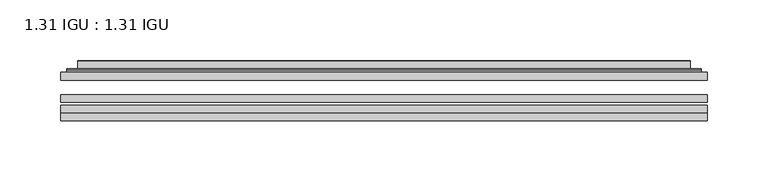
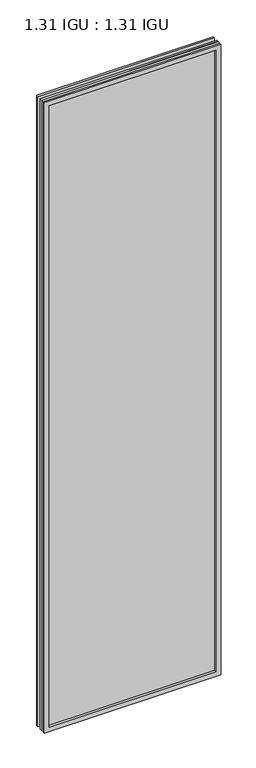
"""IFC4 building model written with IfcOpenShell, lengths in millimetres: plate geometry, 1.31 IGU : 1.31 IGU."""

import ifcopenshell
import ifcopenshell.guid

model = None  # the IFC model being written
_history = None  # IfcOwnerHistory: only IFC2X3 demands one
_inside = {}  # id of a spatial element -> (the spatial element, [elements in it])
_under = {}  # id of a project, library or spatial element -> (it, [spatial elements below it])
_declared = {}  # id of a project -> (the project, [libraries it declares])
_typed = {}  # id of a type object -> (the type object, [elements of that type])
_made_of = {}  # id of a material, layer set ... -> (it, [elements and type objects made of it])


def new_model(schema):
    """Start an empty IFC model of exactly this schema.

    Asked for "IFC4X3", IfcOpenShell would pick the latest addendum, in which some entities
    have other attributes; the version numbers below select the first issue.
    IFC2X3 requires an IfcOwnerHistory on every rooted entity: one is made here for all.
    """
    global model, _history
    if schema == "IFC4X3":
        model = ifcopenshell.file(schema_version=(4, 3, 0, 0))
    else:
        model = ifcopenshell.file(schema=schema)
    _inside.clear()
    _under.clear()
    _declared.clear()
    _typed.clear()
    _made_of.clear()
    _history = None
    if model.schema == "IFC2X3":
        org = make("IfcOrganization", Name="unknown")
        user = make(
            "IfcPersonAndOrganization",
            ThePerson=make("IfcPerson", FamilyName="unknown"),
            TheOrganization=org,
        )
        app = make(
            "IfcApplication",
            ApplicationDeveloper=org,
            Version="unknown",
            ApplicationFullName="unknown",
            ApplicationIdentifier="unknown",
        )
        _history = make(
            "IfcOwnerHistory",
            OwningUser=user,
            OwningApplication=app,
            ChangeAction="ADDED",
            CreationDate=0,
        )
    return model


def make(cls, **values):
    """One entity of the class cls with the attributes given. An attribute that is None is left unset."""
    return model.create_entity(
        cls, **{name: value for name, value in values.items() if value is not None}
    )


def rooted(cls, **values):
    """An entity with a GlobalId (a new one), such as an element, a storey or a relation."""
    return make(cls, GlobalId=ifcopenshell.guid.new(), OwnerHistory=_history, **values)


def si_unit(unit_type, name, prefix=None):
    """IfcSIUnit, for example si_unit("LENGTHUNIT", "METRE", prefix="MILLI")."""
    return make("IfcSIUnit", UnitType=unit_type, Prefix=prefix, Name=name)


def assignment(units):
    """IfcUnitAssignment: the units of a project."""
    return None if units is None else make("IfcUnitAssignment", Units=units)


def point(xyz):
    """IfcCartesianPoint."""
    return None if xyz is None else make("IfcCartesianPoint", Coordinates=xyz)


def direction(xyz):
    """IfcDirection."""
    return None if xyz is None else make("IfcDirection", DirectionRatios=xyz)


def frame(location, z_axis=None, x_axis=None):
    """IfcAxis2Placement3D, a coordinate frame: its origin and axes. An axis left out is left unset."""
    return make(
        "IfcAxis2Placement3D",
        Location=point(location),
        Axis=direction(z_axis),
        RefDirection=direction(x_axis),
    )


def origin():
    """The frame at (0, 0, 0) with its axes left unset."""
    return frame((0.0, 0.0, 0.0))


def place(relative_to, where):
    """IfcLocalPlacement: puts the frame where relative to a parent placement (None: the world)."""
    return make(
        "IfcLocalPlacement", PlacementRelTo=relative_to, RelativePlacement=where
    )


def context(
    kind, dimensions, precision=None, world=None, true_north=None, identifier=None
):
    """IfcGeometricRepresentationContext, for example the 3D "Model" context."""
    return make(
        "IfcGeometricRepresentationContext",
        ContextIdentifier=identifier,
        ContextType=kind,
        CoordinateSpaceDimension=dimensions,
        Precision=precision,
        WorldCoordinateSystem=world,
        TrueNorth=true_north,
    )


def project(units=None, contexts=None):
    """IfcProject with its units and contexts."""
    return rooted(
        "IfcProject",
        Name="project",
        RepresentationContexts=contexts,
        UnitsInContext=assignment(units),
    )


def spatial(cls, under=None, at=None, **own):
    """A site, building, storey or space (cls), placed at a placement, below another one or the project."""
    s = rooted(cls, ObjectPlacement=at, **own)
    if under is not None:
        _under.setdefault(under.id(), (under, []))[1].append(s)
    return s


def polyline(points):
    """IfcPolyline through the points."""
    return make("IfcPolyline", Points=[point(p) for p in points])


def ellipse_curve(where, semi_axis1, semi_axis2):
    """IfcEllipse in the frame where."""
    return make(
        "IfcEllipse", Position=where, SemiAxis1=semi_axis1, SemiAxis2=semi_axis2
    )


def outline(outer, holes=None, kind="AREA"):
    """IfcArbitraryClosedProfileDef: a profile drawn as a closed curve; with holes, ...WithVoids."""
    if holes is None:
        return make("IfcArbitraryClosedProfileDef", ProfileType=kind, OuterCurve=outer)
    return make(
        "IfcArbitraryProfileDefWithVoids",
        ProfileType=kind,
        OuterCurve=outer,
        InnerCurves=holes,
    )


def extrude(swept, where, along, depth):
    """IfcExtrudedAreaSolid: the profile swept, set in the frame where, extruded along a direction by depth."""
    return make(
        "IfcExtrudedAreaSolid",
        SweptArea=swept,
        Position=where,
        ExtrudedDirection=direction(along),
        Depth=depth,
    )


def faces_of(points, faces, orient=None, outer=None):
    """IfcFace entities. A face is a list of loops; a loop is a list of indices into points, from 0.

    orient and outer hold one flag for each loop. By default every Orientation is true, the
    first loop of a face is its IfcFaceOuterBound and the others are IfcFaceBound.
    """
    made = []
    for i, loops in enumerate(faces):
        bounds = []
        for j, loop in enumerate(loops):
            is_outer = j == 0 if outer is None else outer[i][j]
            bounds.append(
                make(
                    "IfcFaceOuterBound" if is_outer else "IfcFaceBound",
                    Bound=make("IfcPolyLoop", Polygon=[points[k] for k in loop]),
                    Orientation=True if orient is None else orient[i][j],
                )
            )
        made.append(make("IfcFace", Bounds=bounds))
    return made


def faceted_brep(points, faces, orient=None, outer=None, voids=None):
    """IfcFacetedBrep: a solid bounded by flat faces; with voids (closed shells), ...WithVoids."""
    shared = [point(p) for p in points]
    hull = make("IfcClosedShell", CfsFaces=faces_of(shared, faces, orient, outer))
    if voids is None:
        return make("IfcFacetedBrep", Outer=hull)
    return make(
        "IfcFacetedBrepWithVoids",
        Outer=hull,
        Voids=[
            make(cls, CfsFaces=faces_of(shared, fs, o, b)) for cls, fs, o, b in voids
        ],
    )


def shape(context_of_items, identifier, shape_type, items):
    """IfcShapeRepresentation: the items that make up one representation, for example the "Body"."""
    return make(
        "IfcShapeRepresentation",
        ContextOfItems=context_of_items,
        RepresentationIdentifier=identifier,
        RepresentationType=shape_type,
        Items=items,
    )


def source(mapping_origin, context_of_items, identifier, shape_type, items):
    """IfcRepresentationMap: a shape defined once, which mapped items show again and again."""
    return make(
        "IfcRepresentationMap",
        MappingOrigin=mapping_origin,
        MappedRepresentation=shape(context_of_items, identifier, shape_type, items),
    )


def transform(
    local_origin,
    x_axis=None,
    y_axis=None,
    z_axis=None,
    scale=None,
    scale2=None,
    scale3=None,
    uniform=True,
):
    """IfcCartesianTransformationOperator3D, or its non-uniform kind. x_axis, y_axis, z_axis: its Axis1, 2, 3."""
    if uniform:
        return make(
            "IfcCartesianTransformationOperator3D",
            Axis1=direction(x_axis),
            Axis2=direction(y_axis),
            LocalOrigin=point(local_origin),
            Scale=scale,
            Axis3=direction(z_axis),
        )
    return make(
        "IfcCartesianTransformationOperator3DnonUniform",
        Axis1=direction(x_axis),
        Axis2=direction(y_axis),
        LocalOrigin=point(local_origin),
        Scale=scale,
        Axis3=direction(z_axis),
        Scale2=scale2,
        Scale3=scale3,
    )


def mapped(mapping_source, mapping_target):
    """IfcMappedItem: shows the shape of a source again, moved by a transform."""
    return make(
        "IfcMappedItem", MappingSource=mapping_source, MappingTarget=mapping_target
    )


def made_of(thing, what):
    """Note that an element or type object is made of a material, layer set ...; save() writes the relation."""
    if what is not None:
        _made_of.setdefault(what.id(), (what, []))[1].append(thing)
    return thing


def element(
    cls,
    number,
    at=None,
    inside=None,
    cuts=None,
    type_object=None,
    material=None,
    context=None,
    identifier="Body",
    shape_type=None,
    held_by="IfcProductDefinitionShape",
    body=None,
    shapes=None,
    **own,
):
    """One element of the class cls, such as IfcWall. Its Tag is "e" and its number.

    at: its placement. inside: the storey or other place that contains it. cuts: it is an
    opening in that element (IfcRelVoidsElement). A single representation is given by context,
    identifier, shape_type and body (its items); several are given by shapes. held_by: the class
    of the entity that holds the representations. save() writes the other relations.
    """
    e = rooted(cls, Tag="e%d" % number, ObjectPlacement=at, **own)
    if body is not None:
        shapes = [shape(context, identifier, shape_type, body)]
    if shapes is not None:
        e.Representation = make(held_by, Representations=shapes)
    if inside is not None:
        _inside.setdefault(inside.id(), (inside, []))[1].append(e)
    if cuts is not None:
        rooted(
            "IfcRelVoidsElement", RelatingBuildingElement=cuts, RelatedOpeningElement=e
        )
    if type_object is not None:
        _typed.setdefault(type_object.id(), (type_object, []))[1].append(e)
    return made_of(e, material)


def aggregate(whole, parts):
    """IfcRelAggregates: a whole, such as a stair, and the parts it consists of."""
    return rooted("IfcRelAggregates", RelatingObject=whole, RelatedObjects=parts)


def save(model, path):
    """Write the relations noted so far, then the file.

    IfcRelAggregates (storeys below a building ...), IfcRelContainedInSpatialStructure (elements
    in a storey), IfcRelDefinesByType, IfcRelAssociatesMaterial and IfcRelDeclares: one each for
    every whole, place, type object, material and project.
    """
    for whole, parts in _under.values():
        aggregate(whole, parts)
    for where, things in _inside.values():
        rooted(
            "IfcRelContainedInSpatialStructure",
            RelatedElements=things,
            RelatingStructure=where,
        )
    for kind, things in _typed.values():
        rooted("IfcRelDefinesByType", RelatedObjects=things, RelatingType=kind)
    for what, things in _made_of.values():
        rooted("IfcRelAssociatesMaterial", RelatedObjects=things, RelatingMaterial=what)
    for by, libraries in _declared.values():
        rooted("IfcRelDeclares", RelatingContext=by, RelatedDefinitions=libraries)
    model.write(path)


def plane_surface(at):
    """IfcPlane: the flat surface through the origin of the frame at, square to its z axis."""
    return make("IfcPlane", Position=at)


def cylinder_surface(at, radius):
    """IfcCylindricalSurface: all points at the distance radius from the z axis of the frame at."""
    return make("IfcCylindricalSurface", Position=at, Radius=radius)


def advanced_brep(points, edges, surfaces, faces):
    """IfcAdvancedBrep: a solid bounded by faces that lie on surfaces and meet in shared edges.

    An edge is (start, end): straight between two places in points (the first is 0);
    or (start, end, curve); or (start, end, curve, False) where it runs against its curve.
    A face is (place in surfaces, loops), or (place, loops, False) where it looks against
    its surface's normal. A loop lists edges by number (the first is 1), with a minus sign
    where the edge is run from its end to its start. The first loop is the outer one.
    """
    corners = [point(p) for p in points]
    vertices = [make("IfcVertexPoint", VertexGeometry=c) for c in corners]
    made = []
    for start, end, *more in edges:
        made.append(
            make(
                "IfcEdgeCurve",
                EdgeStart=vertices[start],
                EdgeEnd=vertices[end],
                EdgeGeometry=more[0] if more else make("IfcPolyline", Points=[corners[start], corners[end]]),
                SameSense=more[1] if len(more) > 1 else True,
            )
        )
    hull = []
    for where, loops, *sense in faces:
        bounds = []
        for j, loop in enumerate(loops):
            ring = [make("IfcOrientedEdge", EdgeElement=made[abs(k) - 1], Orientation=k > 0) for k in loop]
            bounds.append(
                make(
                    "IfcFaceOuterBound" if j == 0 else "IfcFaceBound",
                    Bound=make("IfcEdgeLoop", EdgeList=ring),
                    Orientation=True,
                )
            )
        hull.append(make("IfcAdvancedFace", Bounds=bounds, FaceSurface=surfaces[where], SameSense=sense[0] if sense else True))
    return make("IfcAdvancedBrep", Outer=make("IfcClosedShell", CfsFaces=hull))


def plate_1_31_igu_1_31_igu_dbfbb55b(model_context):
    return source(origin(), model_context, "Body", "SolidModel", [
        extrude(outline(polyline([(266.7139037, -63.2975937), (266.7139037, -69.6475938), (-266.6997287, -69.6475938), (-266.6997287, -63.2975937), (266.7139037, -63.2975937)])), frame((0.0, 0.0, -14.2875), z_axis=(0.0, 0.0, 1.0), x_axis=(1.0, 0.0, 0.0)), (0.0, 0.0, 1.0), 2009.7787982),
        extrude(outline(polyline([(-266.6997287, -78.2835938), (-266.6997287, -71.9330887), (266.7139037, -71.9330887), (266.7139037, -78.2835938), (-266.6997287, -78.2835938)])), frame((0.0, 0.0, -14.2875), z_axis=(0.0, 0.0, 1.0), x_axis=(1.0, 0.0, 0.0)), (0.0, 0.0, 1.0), 2009.7787982),
        extrude(outline(polyline([(266.7139037, -44.9587937), (266.7139037, -51.3087938), (-266.6997287, -51.3087938), (-266.6997287, -44.9587937), (266.7139037, -44.9587937)])), frame((0.0, 0.0, -14.2875), z_axis=(0.0, 0.0, 1.0), x_axis=(1.0, 0.0, 0.0)), (0.0, 0.0, 1.0), 2009.7787982),
        faceted_brep([(-266.7124287, -84.6335937, 1995.5002003), (-266.7124287, -78.2835937, 1995.5002003), (-266.7124287, -78.2835937, -14.3002), (-266.7124287, -84.6335937, -14.3002), (266.7124287, -78.2835937, -14.3002), (266.7124287, -84.6335937, -14.3002), (266.7124287, -78.2835937, 1995.5002003), (266.7124287, -84.6335937, 1995.5002003), (-251.5144846, -78.2835937, 0.8977441), (251.5144846, -78.2835937, 0.8977441), (251.5144846, -78.2835937, 1980.3022561), (-251.5144846, -78.2835937, 1980.3022561), (-252.4069189, -84.6335937, 1981.1946904), (252.4069189, -84.6335937, 1981.1946904), (252.4069189, -84.6335937, 0.0053098), (-252.4069189, -84.6335937, 0.0053098)], [[[0, 1, 2, 3]], [[3, 2, 4, 5]], [[5, 4, 6, 7]], [[1, 6, 4, 2], [8, 9, 10, 11]], [[7, 6, 1, 0]], [[3, 5, 7, 0], [12, 13, 14, 15]], [[11, 12, 15, 8]], [[8, 15, 14, 9]], [[9, 14, 13, 10]], [[10, 13, 12, 11]]]),
        advanced_brep(
        [(-259.4584478, -44.9587937, 1988.2462193), (-261.8126531, -42.9691271, 1990.6004247), (-261.8126531, -42.9691271, -9.4004244), (-259.4584478, -44.9587937, -7.046219), (-250.3841226, -41.1187568, 1979.1718942), (-245.4492908, -44.9587937, 1974.2370623), (-245.4492908, -44.9587937, 6.9629379), (-250.3841226, -41.1187568, 2.0281061), (-251.4161504, -35.7215256, 1980.2039219), (-251.4161504, -35.7215256, 0.9960783), (-252.4068071, -35.3225507, 1981.1945787), (-252.4068071, -35.3225507, 0.0054216), (-252.4068071, -41.7837937, 1981.1945787), (-252.4068071, -41.7837937, 0.0054216), (-260.8108636, -41.7837937, 1989.5986351), (-260.8108636, -41.7837937, -8.3986349), (261.8126531, -42.9691271, -9.4004244), (259.4584478, -44.9587937, -7.046219), (245.4492908, -44.9587937, 6.9629379), (250.3841226, -41.1187568, 2.0281061), (251.4161504, -35.7215256, 0.9960783), (252.4068071, -35.3225507, 0.0054216), (252.4068071, -41.7837937, 0.0054216), (260.8108636, -41.7837937, -8.3986349), (261.8126531, -42.9691271, 1990.6004247), (259.4584478, -44.9587937, 1988.2462193), (245.4492908, -44.9587937, 1974.2370623), (250.3841226, -41.1187568, 1979.1718942), (251.4161504, -35.7215256, 1980.2039219), (252.4068071, -35.3225507, 1981.1945787), (252.4068071, -41.7837937, 1981.1945787), (260.8108636, -41.7837937, 1989.5986351)],
        [
            (0, 1, ellipse_curve(frame((-259.4584478, -42.5711937, 1988.2462193), z_axis=(-0.7071067811865475, 0.0, -0.7071067811865475), x_axis=(-0.7071067811865474, 0.0, 0.7071067811865476)), 3.3765763, 2.3876)),
            (1, 2),
            (2, 3, ellipse_curve(frame((-259.4584478, -42.5711937, -7.046219), z_axis=(-0.7071067811865475, 0.0, 0.7071067811865475), x_axis=(0.7071067811865474, 0.0, 0.7071067811865476)), 3.3765763, 2.3876)),
            (3, 0),
            (4, 5),
            (5, 6),
            (6, 7),
            (7, 4),
            (8, 4),
            (7, 9),
            (9, 8),
            (10, 8, ellipse_curve(frame((-252.0398506, -35.840786, 1980.8276221), z_axis=(-0.7071067811865475, 0.0, -0.7071067811865475), x_axis=(-0.7071067811865474, 0.0, 0.7071067811865476)), 0.8980256, 0.635)),
            (9, 11, ellipse_curve(frame((-252.0398506, -35.840786, 0.3723781), z_axis=(-0.7071067811865475, 0.0, 0.7071067811865475), x_axis=(0.7071067811865474, 0.0, 0.7071067811865476)), 0.8980256, 0.635)),
            (11, 10),
            (12, 10),
            (11, 13),
            (13, 12),
            (1, 14, ellipse_curve(frame((-260.8108636, -42.7997937, 1989.5986351), z_axis=(-0.7071067811865475, 0.0, -0.7071067811865475), x_axis=(-0.7071067811865474, 0.0, 0.7071067811865476)), 1.436841, 1.016)),
            (14, 15),
            (15, 2, ellipse_curve(frame((-260.8108636, -42.7997937, -8.3986349), z_axis=(-0.7071067811865475, 0.0, 0.7071067811865475), x_axis=(0.7071067811865474, 0.0, 0.7071067811865476)), 1.436841, 1.016)),
            (2, 16),
            (16, 17, ellipse_curve(frame((259.4584478, -42.5711937, -7.046219), z_axis=(-0.7071067811865475, 0.0, -0.7071067811865475), x_axis=(-0.7071067811865476, 0.0, 0.7071067811865474)), 3.3765763, 2.3876)),
            (17, 3),
            (6, 18),
            (18, 19),
            (19, 7),
            (19, 20),
            (20, 9),
            (20, 21, ellipse_curve(frame((252.0398506, -35.840786, 0.3723781), z_axis=(-0.7071067811865475, 0.0, -0.7071067811865475), x_axis=(-0.7071067811865476, 0.0, 0.7071067811865474)), 0.8980256, 0.635)),
            (21, 11),
            (21, 22),
            (22, 13),
            (15, 23),
            (23, 16, ellipse_curve(frame((260.8108636, -42.7997937, -8.3986349), z_axis=(-0.7071067811865475, 0.0, -0.7071067811865475), x_axis=(-0.7071067811865476, 0.0, 0.7071067811865474)), 1.436841, 1.016)),
            (16, 24),
            (24, 25, ellipse_curve(frame((259.4584478, -42.5711937, 1988.2462193), z_axis=(0.7071067811865475, 0.0, -0.7071067811865475), x_axis=(-0.7071067811865474, 0.0, -0.7071067811865476)), 3.3765763, 2.3876)),
            (25, 17),
            (18, 26),
            (26, 27),
            (27, 19),
            (27, 28),
            (28, 20),
            (28, 29, ellipse_curve(frame((252.0398506, -35.840786, 1980.8276221), z_axis=(0.7071067811865475, 0.0, -0.7071067811865475), x_axis=(-0.7071067811865474, 0.0, -0.7071067811865476)), 0.8980256, 0.635)),
            (29, 21),
            (29, 30),
            (30, 22),
            (23, 31),
            (31, 24, ellipse_curve(frame((260.8108636, -42.7997937, 1989.5986351), z_axis=(0.7071067811865475, 0.0, -0.7071067811865475), x_axis=(-0.7071067811865474, 0.0, -0.7071067811865476)), 1.436841, 1.016)),
            (24, 1),
            (0, 25),
            (5, 26),
            (4, 27),
            (8, 28),
            (10, 29),
            (12, 30),
            (14, 31),
        ],
        [
            cylinder_surface(frame((-259.4584478, -42.5711937, 2012.9500003), z_axis=(0.0, 0.0, 1.0), x_axis=(-1.0, 0.0, 0.0)), 2.3876),
            plane_surface(frame((-245.4492908, -44.9587937, 1974.2370623), z_axis=(0.6141233906514794, 0.7892100234124821, 0.0), x_axis=(0.0, 0.0, -1.0))),
            plane_surface(frame((-250.3841226, -41.1187568, 1979.1718942), z_axis=(0.9822050625507729, 0.18781164793386076, 0.0), x_axis=(0.0, 0.0, -1.0))),
            cylinder_surface(frame((-252.0398506, -35.840786, 2012.9500003), z_axis=(0.0, 0.0, 1.0), x_axis=(-1.0, 0.0, 0.0)), 0.635),
            plane_surface(frame((-252.4068071, -35.3225507, 1981.1945787), z_axis=(-1.0, 0.0, 0.0), x_axis=(0.0, 0.0, -1.0))),
            cylinder_surface(frame((-260.8108636, -42.7997937, 2012.9500003), z_axis=(0.0, 0.0, 1.0), x_axis=(-1.0, 0.0, 0.0)), 1.016),
            cylinder_surface(frame((-284.1622287, -42.5711937, -7.046219), z_axis=(-1.0, 0.0, 0.0), x_axis=(0.0, 0.0, -1.0)), 2.3876),
            plane_surface(frame((-245.4492908, -44.9587937, 6.9629379), z_axis=(0.0, 0.7892100234124841, 0.6141233906514768), x_axis=(1.0, 0.0, 0.0))),
            plane_surface(frame((-250.3841226, -41.1187568, 2.0281061), z_axis=(0.0, 0.18781164793386393, 0.9822050625507723), x_axis=(1.0, 0.0, 0.0))),
            cylinder_surface(frame((-284.1622287, -35.840786, 0.3723781), z_axis=(-1.0, 0.0, 0.0), x_axis=(0.0, 0.0, -1.0)), 0.635),
            plane_surface(frame((-252.4068071, -35.3225507, 0.0054216), z_axis=(0.0, 0.0, -1.0), x_axis=(1.0, 0.0, 0.0))),
            cylinder_surface(frame((-284.1622287, -42.7997937, -8.3986349), z_axis=(-1.0, 0.0, 0.0), x_axis=(0.0, 0.0, -1.0)), 1.016),
            cylinder_surface(frame((259.4584478, -42.5711937, -31.75), z_axis=(0.0, 0.0, -1.0), x_axis=(1.0, 0.0, 0.0)), 2.3876),
            plane_surface(frame((245.4492908, -44.9587937, 6.9629379), z_axis=(-0.6141233906514743, 0.7892100234124861, 0.0), x_axis=(0.0, 0.0, 1.0))),
            plane_surface(frame((250.3841226, -41.1187568, 2.0281061), z_axis=(-0.9822050625507718, 0.1878116479338671, 0.0), x_axis=(0.0, 0.0, 1.0))),
            cylinder_surface(frame((252.0398506, -35.840786, -31.75), z_axis=(0.0, 0.0, -1.0), x_axis=(1.0, 0.0, 0.0)), 0.635),
            plane_surface(frame((252.4068071, -35.3225507, 0.0054216), z_axis=(1.0, 0.0, 0.0), x_axis=(0.0, 0.0, 1.0))),
            cylinder_surface(frame((260.8108636, -42.7997937, -31.75), z_axis=(0.0, 0.0, -1.0), x_axis=(1.0, 0.0, 0.0)), 1.016),
            cylinder_surface(frame((284.1622287, -42.5711937, 1988.2462193), z_axis=(1.0, 0.0, 0.0), x_axis=(0.0, 0.0, 1.0)), 2.3876),
            plane_surface(frame((259.4584478, -44.9587937, 1988.2462193), z_axis=(0.0, -1.0, 0.0), x_axis=(-1.0, 0.0, 0.0))),
            plane_surface(frame((245.4492908, -44.9587937, 1974.2370623), z_axis=(0.0, 0.7892100234124841, -0.6141233906514768), x_axis=(-1.0, 0.0, 0.0))),
            plane_surface(frame((250.3841226, -41.1187568, 1979.1718942), z_axis=(0.0, 0.18781164793386393, -0.9822050625507723), x_axis=(-1.0, 0.0, 0.0))),
            cylinder_surface(frame((284.1622287, -35.840786, 1980.8276221), z_axis=(1.0, 0.0, 0.0), x_axis=(0.0, 0.0, 1.0)), 0.635),
            plane_surface(frame((252.4068071, -35.3225507, 1981.1945787), z_axis=(0.0, 0.0, 1.0), x_axis=(-1.0, 0.0, 0.0))),
            plane_surface(frame((252.4068071, -41.7837937, 1981.1945787), z_axis=(0.0, 1.0, 0.0), x_axis=(-1.0, 0.0, 0.0))),
            cylinder_surface(frame((284.1622287, -42.7997937, 1989.5986351), z_axis=(1.0, 0.0, 0.0), x_axis=(0.0, 0.0, 1.0)), 1.016),
        ],
        [
            (0, [[1, 2, 3, 4]]),
            (1, [[5, 6, 7, 8]]),
            (2, [[9, -8, 10, 11]]),
            (3, [[12, -11, 13, 14]]),
            (4, [[15, -14, 16, 17]]),
            (5, [[18, 19, 20, -2]]),
            (6, [[-3, 21, 22, 23]]),
            (7, [[-7, 24, 25, 26]]),
            (8, [[-10, -26, 27, 28]]),
            (9, [[-13, -28, 29, 30]]),
            (10, [[-16, -30, 31, 32]]),
            (11, [[-20, 33, 34, -21]]),
            (12, [[-22, 35, 36, 37]]),
            (13, [[-25, 38, 39, 40]]),
            (14, [[-27, -40, 41, 42]]),
            (15, [[-29, -42, 43, 44]]),
            (16, [[-31, -44, 45, 46]]),
            (17, [[-34, 47, 48, -35]]),
            (18, [[-36, 49, -1, 50]]),
            (19, [[-23, -37, -50, -4], [51, -38, -24, -6]]),
            (20, [[-39, -51, -5, 52]]),
            (21, [[-41, -52, -9, 53]]),
            (22, [[-43, -53, -12, 54]]),
            (23, [[-45, -54, -15, 55]]),
            (24, [[56, -47, -33, -19], [-32, -46, -55, -17]]),
            (25, [[-48, -56, -18, -49]]),
        ],
    ),
    ])


if __name__ == "__main__":
    model = new_model("IFC4")
    model_context = context("Model", 3, world=origin())
    ifc_project = project(units=[si_unit("LENGTHUNIT", "METRE", prefix="MILLI")], contexts=[model_context])
    site = spatial("IfcSite", under=ifc_project)
    building = spatial("IfcBuilding", under=site)
    placement = place(None, origin())
    plate_1_31_igu_1_31_igu_shape = plate_1_31_igu_1_31_igu_dbfbb55b(model_context)
    element("IfcPlate", 1, ObjectType="1.31 IGU : 1.31 IGU", at=placement, inside=building, context=model_context, shape_type="MappedRepresentation", body=[
        mapped(plate_1_31_igu_1_31_igu_shape, transform((0.0, 0.0, 0.0), x_axis=(1.0, 0.0, 0.0), y_axis=(0.0, 1.0, 0.0), z_axis=(0.0, 0.0, 1.0))),
    ])
    save(model, "model.ifc")
